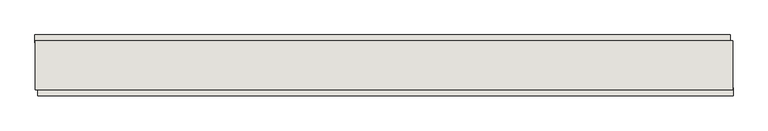
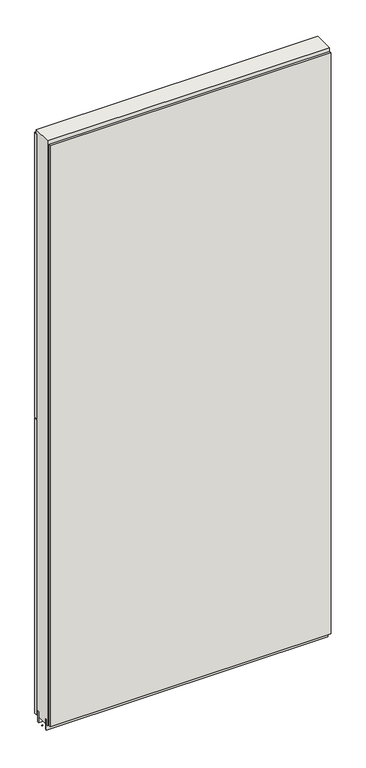
"""IFC4 building model written with IfcOpenShell, lengths in millimetres: wall geometry."""

from ifc_helpers import new_model, si_unit, frame, origin, place, context, project, spatial, polyline, outline, extrude, source, transform, mapped, element, save


def wall_ab5279eb(model_context):
    return source(origin(), model_context, "Body", "SweptSolid", [
        extrude(outline(polyline([(78089.855504, -45576.2245954), (78087.315504, -45576.2245954), (78087.315504, -45573.6845954), (78089.855504, -45573.6845954), (78089.855504, -45576.2245954)])), frame((0.0, 0.0, 4419.6), z_axis=(0.0, 0.0, 1.0), x_axis=(1.0, 0.0, 0.0)), (0.0, 0.0, 1.0), 2.54),
        extrude(outline(polyline([(78086.8461882, -45524.1545954), (79251.2461962, -45524.1545954), (79251.2461962, -45536.8545954), (78086.8461882, -45536.8545954), (78086.8461882, -45524.1545954)])), frame((0.0, 0.0, 5742.399869), z_axis=(0.0, 0.0, 1.0), x_axis=(1.0, 0.0, 0.0)), (0.0, 0.0, 1.0), 1247.649905),
        extrude(outline(polyline([(78086.8461882, -45524.1545954), (79251.2461962, -45524.1545954), (79251.2461962, -45536.8545954), (78086.8461882, -45536.8545954), (78086.8461882, -45524.1545954)])), frame((0.0, 0.0, 4445.0), z_axis=(0.0, 0.0, 1.0), x_axis=(1.0, 0.0, 0.0)), (0.0, 0.0, 1.0), 1293.400004),
        extrude(outline(polyline([(79256.1823306, -45625.7545954), (78091.7823226, -45625.7545954), (78091.7823226, -45613.0545954), (79256.1823306, -45613.0545954), (79256.1823306, -45625.7545954)])), frame((0.0, 0.0, 4445.0), z_axis=(0.0, 0.0, 1.0), x_axis=(1.0, 0.0, 0.0)), (0.0, 0.0, 1.0), 2545.0498756),
        extrude(outline(polyline([(79255.720457, -45549.8708508), (78087.320457, -45549.8708508), (78087.320457, -45544.7920954), (79255.720457, -45544.7920954), (79255.720457, -45549.8708508)])), frame((0.0, 0.0, 4418.6602), z_axis=(0.0, 0.0, 1.0), x_axis=(1.0, 0.0, 0.0)), (0.0, 0.0, 1.0), 47.625),
        extrude(outline(polyline([(79255.720457, -45549.8708508), (78087.320457, -45549.8708508), (78087.320457, -45544.7920954), (79255.720457, -45544.7920954), (79255.720457, -45549.8708508)])), frame((0.0, 0.0, 4418.6602), z_axis=(0.0, 0.0, 1.0), x_axis=(1.0, 0.0, 0.0)), (0.0, 0.0, 1.0), 47.625),
        extrude(outline(polyline([(78087.320457, -45600.0352412), (79255.720457, -45600.0352412), (79255.720457, -45605.1170954), (78087.320457, -45605.1170954), (78087.320457, -45600.0352412)])), frame((0.0, 0.0, 4418.6602), z_axis=(0.0, 0.0, 1.0), x_axis=(1.0, 0.0, 0.0)), (0.0, 0.0, 1.0), 47.625),
        extrude(outline(polyline([(78087.320457, -45600.0352412), (79255.720457, -45600.0352412), (79255.720457, -45605.1170954), (78087.320457, -45605.1170954), (78087.320457, -45600.0352412)])), frame((0.0, 0.0, 4418.6602), z_axis=(0.0, 0.0, 1.0), x_axis=(1.0, 0.0, 0.0)), (0.0, 0.0, 1.0), 47.625),
        extrude(outline(polyline([(79255.720457, -45534.3245014), (79255.720457, -45615.606381), (78087.320457, -45615.606381), (78087.320457, -45534.3245014), (79255.720457, -45534.3245014)])), frame((0.0, 0.0, 4445.0), z_axis=(0.0, 0.0, 1.0), x_axis=(1.0, 0.0, 0.0)), (0.0, 0.0, 1.0), 2562.4536762),
    ])


if __name__ == "__main__":
    model = new_model("IFC4")
    model_context = context("Model", 3, world=origin())
    ifc_project = project(units=[si_unit("LENGTHUNIT", "METRE", prefix="MILLI")], contexts=[model_context])
    site = spatial("IfcSite", under=ifc_project)
    building = spatial("IfcBuilding", under=site)
    placement = place(None, origin())
    wall_shape = wall_ab5279eb(model_context)
    element("IfcWall", 1, at=placement, inside=building, context=model_context, shape_type="MappedRepresentation", body=[
        mapped(wall_shape, transform((0.0, 0.0, 0.0), x_axis=(1.0, 0.0, 0.0), y_axis=(0.0, 1.0, 0.0), z_axis=(0.0, 0.0, 1.0))),
    ])
    save(model, "model.ifc")
